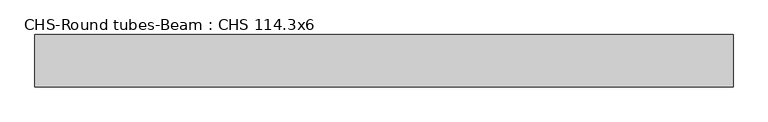
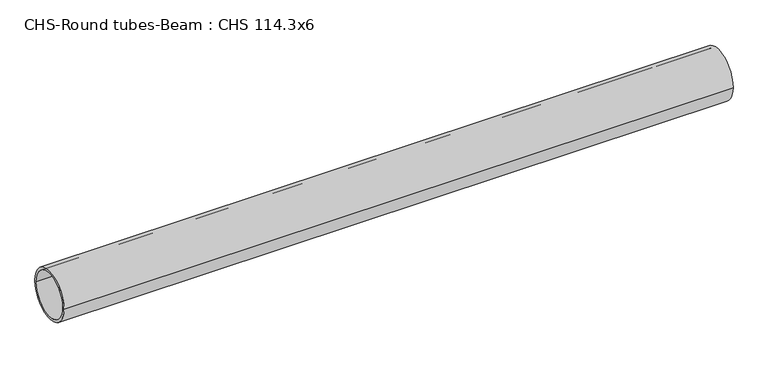
"""IFC4 building model written with IfcOpenShell, lengths in millimetres: beam geometry, CHS-Round tubes-Beam : CHS 114.3x6."""

from ifc_helpers import new_model, si_unit, point, frame, origin, origin_2d, place, context, project, spatial, circle_curve, trimmed, segment, composite_curve, outline, extrude, source, transform, mapped, element, save


def chs_round_tubes_beam_chs_114_3x6_de896580(model_context):
    return source(origin(), model_context, "Body", "SweptSolid", [
        extrude(outline(composite_curve([segment(trimmed(circle_curve(origin_2d(), 57.15), [point((57.15, 0.0))], [point((-57.15, 0.0))], False, "CARTESIAN"), True, "CONTINUOUS"), segment(trimmed(circle_curve(origin_2d(), 57.15), [point((-57.15, 0.0))], [point((57.15, 0.0))], False, "CARTESIAN"), True, "CONTINUOUS")], self_intersect=False), holes=[composite_curve([segment(trimmed(circle_curve(origin_2d(), 51.15), [point((51.15, 0.0))], [point((-51.15, 0.0))], True, "CARTESIAN"), True, "CONTINUOUS"), segment(trimmed(circle_curve(origin_2d(), 51.15), [point((-51.15, 0.0))], [point((51.15, 0.0))], True, "CARTESIAN"), True, "CONTINUOUS")], self_intersect=False)]), frame((-734.3891829, 0.0, 0.0), z_axis=(1.0, 0.0, 0.0), x_axis=(0.0, 1.0, 0.0)), (0.0, 0.0, 1.0), 1518.2546139),
    ])


if __name__ == "__main__":
    model = new_model("IFC4")
    model_context = context("Model", 3, world=origin())
    ifc_project = project(units=[si_unit("LENGTHUNIT", "METRE", prefix="MILLI")], contexts=[model_context])
    site = spatial("IfcSite", under=ifc_project)
    building = spatial("IfcBuilding", under=site)
    placement = place(None, origin())
    chs_round_tubes_beam_chs_114_3x6_shape = chs_round_tubes_beam_chs_114_3x6_de896580(model_context)
    element("IfcBeam", 1, ObjectType="CHS-Round tubes-Beam : CHS 114.3x6", at=placement, inside=building, context=model_context, shape_type="MappedRepresentation", body=[
        mapped(chs_round_tubes_beam_chs_114_3x6_shape, transform((0.0, 0.0, 0.0), x_axis=(1.0, 0.0, 0.0), y_axis=(0.0, 1.0, 0.0), z_axis=(0.0, 0.0, 1.0))),
    ])
    save(model, "model.ifc")
